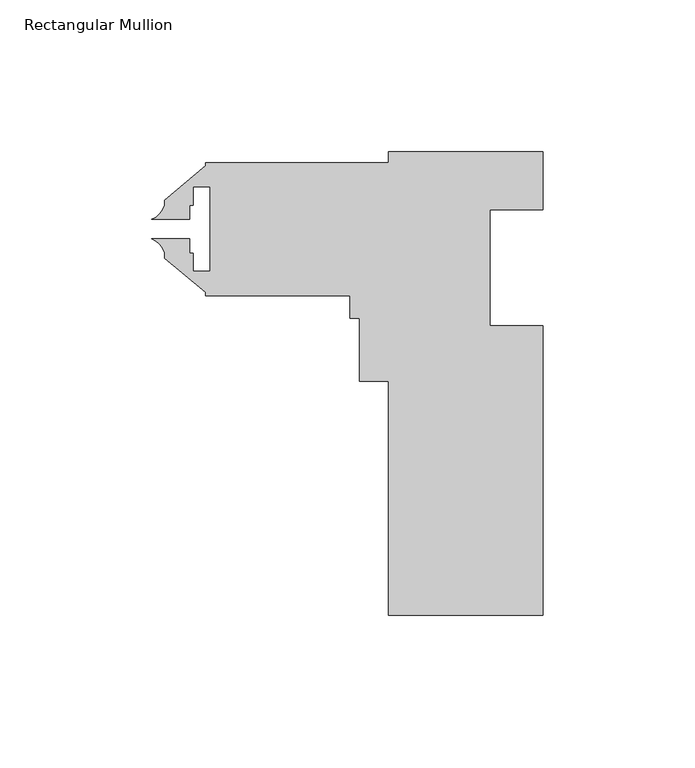
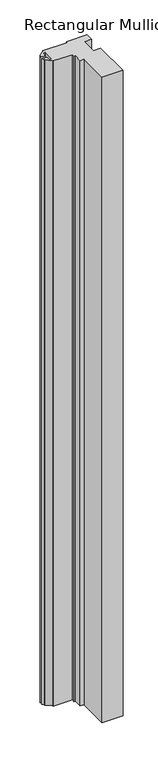
"""IFC4 building model written with IfcOpenShell, lengths in millimetres: member geometry, Rectangular Mullion."""

from ifc_helpers import new_model, si_unit, point, frame, frame_2d, origin, place, context, project, spatial, polyline, circle_curve, trimmed, segment, composite_curve, outline, extrude, source, transform, mapped, element, save


def rectangular_mullion_b202fa0c(model_context):
    return source(origin(), model_context, "Body", "SweptSolid", [
        extrude(outline(composite_curve([segment(polyline([(-86.1203646, -3.4864269), (-25.795366, -3.499577), (-25.7946019, 0.0056229), (25.0053968, -0.0054509), (25.0053968, -19.0516465), (7.5512446, -19.0516465), (7.5429393, -57.1516459), (24.9929389, -57.1554498), (24.9721755, -152.4054472), (-25.8278232, -152.3943735), (-25.811041, -75.4069753), (-35.3360407, -75.404899), (-35.3315448, -54.7800995), (-38.5065447, -54.7794074), (-38.5049113, -47.2864075), (-86.1299102, -47.2760259), (-86.1296777, -46.2095192), (-99.589215, -34.9106256), (-99.588847, -33.2224914)]), True, "CONTINUOUS"), segment(trimmed(circle_curve(frame_2d((-106.9653703, -35.6110398)), 7.7535965), [point((-99.588847, -33.2224914))], [point((-103.7856346, -28.5394388))], True, "CARTESIAN"), True, "CONTINUOUS"), segment(polyline([(-103.7856346, -28.5394388), (-91.2930565, -28.5421621), (-91.2940948, -33.3048998), (-90.1654648, -33.3051458), (-90.166766, -39.2741457), (-84.5533661, -39.2753694), (-84.5473088, -11.48777), (-90.1607086, -11.4865464), (-90.1620098, -17.4555462), (-91.2906397, -17.4553002), (-91.291678, -22.2180446), (-103.7842708, -22.2153214)]), True, "CONTINUOUS"), segment(trimmed(circle_curve(frame_2d((-106.9609083, -15.1423282)), 7.7535965), [point((-103.7842708, -22.2153214))], [point((-99.5854271, -17.5340923))], True, "CARTESIAN"), True, "CONTINUOUS"), segment(polyline([(-99.5854271, -17.5340923), (-99.5850591, -15.8459581), (-86.1205971, -4.5529336), (-86.1203646, -3.4864269)]), True, "CONTINUOUS")], self_intersect=False)), frame((0.0, 0.0, -1676.4), z_axis=(0.0, 0.0, 1.0), x_axis=(1.0, 0.0, 0.0)), (0.0, 0.0, 1.0), 1676.4),
    ])


if __name__ == "__main__":
    model = new_model("IFC4")
    model_context = context("Model", 3, world=origin())
    ifc_project = project(units=[si_unit("LENGTHUNIT", "METRE", prefix="MILLI")], contexts=[model_context])
    site = spatial("IfcSite", under=ifc_project)
    building = spatial("IfcBuilding", under=site)
    placement = place(None, origin())
    rectangular_mullion_shape = rectangular_mullion_b202fa0c(model_context)
    element("IfcMember", 1, ObjectType="Rectangular Mullion", at=placement, inside=building, context=model_context, shape_type="MappedRepresentation", body=[
        mapped(rectangular_mullion_shape, transform((0.0, 0.0, 0.0), x_axis=(1.0, 0.0, 0.0), y_axis=(0.0, 1.0, 0.0), z_axis=(0.0, 0.0, 1.0))),
    ])
    save(model, "model.ifc")
